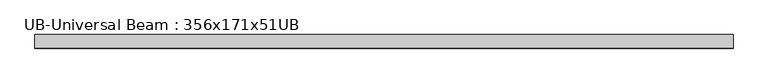
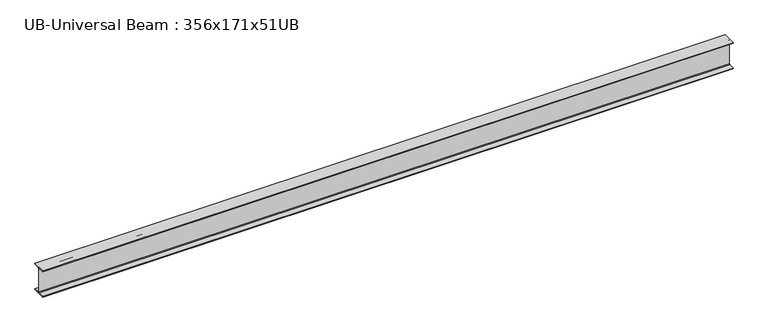
"""IFC4 building model written with IfcOpenShell, lengths in millimetres: beam geometry, UB-Universal Beam : 356x171x51UB."""

from ifc_helpers import new_model, si_unit, point, frame, frame_2d, origin, place, context, project, spatial, polyline, circle_curve, trimmed, segment, composite_curve, outline, extrude, source, transform, mapped, element, save


def ub_universal_beam_356x171x51ub_d1a87c3c(model_context):
    return source(origin(), model_context, "Body", "SweptSolid", [
        extrude(outline(composite_curve([segment(polyline([(85.75, -166.0), (85.75, -177.5), (-85.75, -177.5), (-85.75, -166.0), (-13.9, -166.0)]), True, "CONTINUOUS"), segment(trimmed(circle_curve(frame_2d((-13.9, -155.8)), 10.2), [point((-13.9, -166.0))], [point((-3.7, -155.8))], True, "CARTESIAN"), True, "CONTINUOUS"), segment(polyline([(-3.7, -155.8), (-3.7, 155.8)]), True, "CONTINUOUS"), segment(trimmed(circle_curve(frame_2d((-13.9, 155.8)), 10.2), [point((-3.7, 155.8))], [point((-13.9, 166.0))], True, "CARTESIAN"), True, "CONTINUOUS"), segment(polyline([(-13.9, 166.0), (-85.75, 166.0), (-85.75, 177.5), (85.75, 177.5), (85.75, 166.0), (13.9, 166.0)]), True, "CONTINUOUS"), segment(trimmed(circle_curve(frame_2d((13.9, 155.8)), 10.2), [point((13.9, 166.0))], [point((3.7, 155.8))], True, "CARTESIAN"), True, "CONTINUOUS"), segment(polyline([(3.7, 155.8), (3.7, -155.8)]), True, "CONTINUOUS"), segment(trimmed(circle_curve(frame_2d((13.9, -155.8)), 10.2), [point((3.7, -155.8))], [point((13.9, -166.0))], True, "CARTESIAN"), True, "CONTINUOUS"), segment(polyline([(13.9, -166.0), (85.75, -166.0)]), True, "CONTINUOUS")], self_intersect=False)), frame((-4405.3, 0.0, 0.0), z_axis=(1.0, 0.0, 0.0), x_axis=(0.0, 1.0, 0.0)), (0.0, 0.0, 1.0), 8810.6),
    ])


if __name__ == "__main__":
    model = new_model("IFC4")
    model_context = context("Model", 3, world=origin())
    ifc_project = project(units=[si_unit("LENGTHUNIT", "METRE", prefix="MILLI")], contexts=[model_context])
    site = spatial("IfcSite", under=ifc_project)
    building = spatial("IfcBuilding", under=site)
    placement = place(None, origin())
    ub_universal_beam_356x171x51ub_shape = ub_universal_beam_356x171x51ub_d1a87c3c(model_context)
    element("IfcBeam", 1, ObjectType="UB-Universal Beam : 356x171x51UB", at=placement, inside=building, context=model_context, shape_type="MappedRepresentation", body=[
        mapped(ub_universal_beam_356x171x51ub_shape, transform((0.0, 0.0, 0.0), x_axis=(1.0, 0.0, 0.0), y_axis=(0.0, 1.0, 0.0), z_axis=(0.0, 0.0, 1.0))),
    ])
    save(model, "model.ifc")
